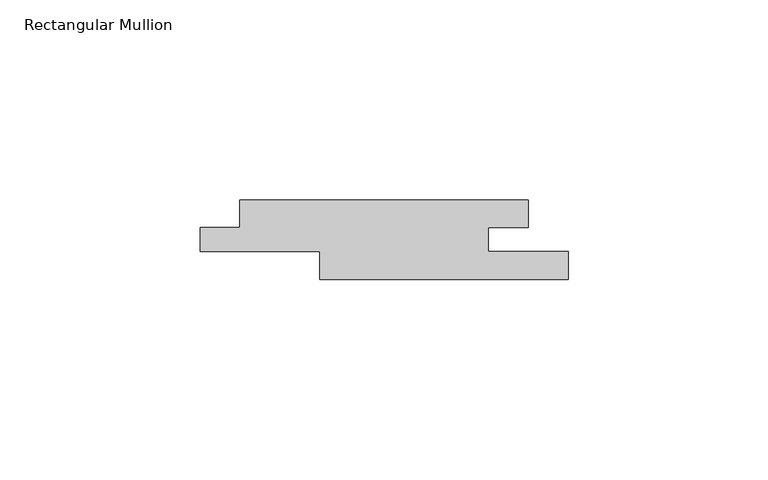
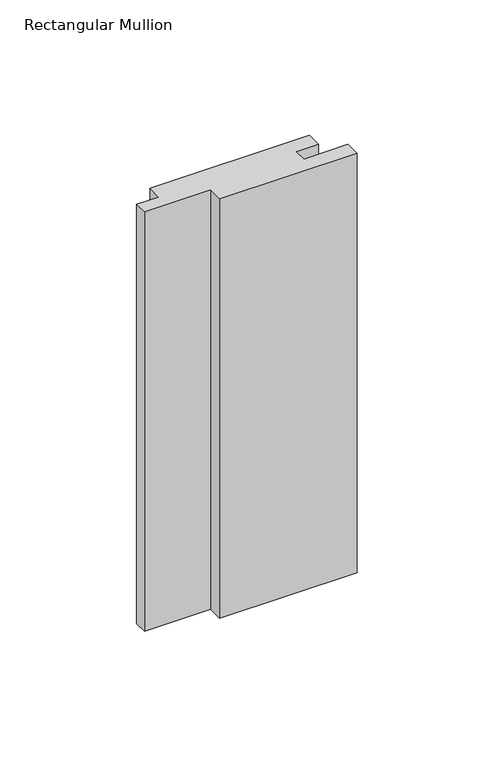
"""IFC4 building model written with IfcOpenShell, lengths in millimetres: member geometry, Rectangular Mullion."""

import ifcopenshell
import ifcopenshell.guid

model = None  # the IFC model being written
_history = None  # IfcOwnerHistory: only IFC2X3 demands one
_inside = {}  # id of a spatial element -> (the spatial element, [elements in it])
_under = {}  # id of a project, library or spatial element -> (it, [spatial elements below it])
_declared = {}  # id of a project -> (the project, [libraries it declares])
_typed = {}  # id of a type object -> (the type object, [elements of that type])
_made_of = {}  # id of a material, layer set ... -> (it, [elements and type objects made of it])


def new_model(schema):
    """Start an empty IFC model of exactly this schema.

    Asked for "IFC4X3", IfcOpenShell would pick the latest addendum, in which some entities
    have other attributes; the version numbers below select the first issue.
    IFC2X3 requires an IfcOwnerHistory on every rooted entity: one is made here for all.
    """
    global model, _history
    if schema == "IFC4X3":
        model = ifcopenshell.file(schema_version=(4, 3, 0, 0))
    else:
        model = ifcopenshell.file(schema=schema)
    _inside.clear()
    _under.clear()
    _declared.clear()
    _typed.clear()
    _made_of.clear()
    _history = None
    if model.schema == "IFC2X3":
        org = make("IfcOrganization", Name="unknown")
        user = make(
            "IfcPersonAndOrganization",
            ThePerson=make("IfcPerson", FamilyName="unknown"),
            TheOrganization=org,
        )
        app = make(
            "IfcApplication",
            ApplicationDeveloper=org,
            Version="unknown",
            ApplicationFullName="unknown",
            ApplicationIdentifier="unknown",
        )
        _history = make(
            "IfcOwnerHistory",
            OwningUser=user,
            OwningApplication=app,
            ChangeAction="ADDED",
            CreationDate=0,
        )
    return model


def make(cls, **values):
    """One entity of the class cls with the attributes given. An attribute that is None is left unset."""
    return model.create_entity(
        cls, **{name: value for name, value in values.items() if value is not None}
    )


def rooted(cls, **values):
    """An entity with a GlobalId (a new one), such as an element, a storey or a relation."""
    return make(cls, GlobalId=ifcopenshell.guid.new(), OwnerHistory=_history, **values)


def si_unit(unit_type, name, prefix=None):
    """IfcSIUnit, for example si_unit("LENGTHUNIT", "METRE", prefix="MILLI")."""
    return make("IfcSIUnit", UnitType=unit_type, Prefix=prefix, Name=name)


def assignment(units):
    """IfcUnitAssignment: the units of a project."""
    return None if units is None else make("IfcUnitAssignment", Units=units)


def point(xyz):
    """IfcCartesianPoint."""
    return None if xyz is None else make("IfcCartesianPoint", Coordinates=xyz)


def direction(xyz):
    """IfcDirection."""
    return None if xyz is None else make("IfcDirection", DirectionRatios=xyz)


def frame(location, z_axis=None, x_axis=None):
    """IfcAxis2Placement3D, a coordinate frame: its origin and axes. An axis left out is left unset."""
    return make(
        "IfcAxis2Placement3D",
        Location=point(location),
        Axis=direction(z_axis),
        RefDirection=direction(x_axis),
    )


def origin():
    """The frame at (0, 0, 0) with its axes left unset."""
    return frame((0.0, 0.0, 0.0))


def place(relative_to, where):
    """IfcLocalPlacement: puts the frame where relative to a parent placement (None: the world)."""
    return make(
        "IfcLocalPlacement", PlacementRelTo=relative_to, RelativePlacement=where
    )


def context(
    kind, dimensions, precision=None, world=None, true_north=None, identifier=None
):
    """IfcGeometricRepresentationContext, for example the 3D "Model" context."""
    return make(
        "IfcGeometricRepresentationContext",
        ContextIdentifier=identifier,
        ContextType=kind,
        CoordinateSpaceDimension=dimensions,
        Precision=precision,
        WorldCoordinateSystem=world,
        TrueNorth=true_north,
    )


def project(units=None, contexts=None):
    """IfcProject with its units and contexts."""
    return rooted(
        "IfcProject",
        Name="project",
        RepresentationContexts=contexts,
        UnitsInContext=assignment(units),
    )


def spatial(cls, under=None, at=None, **own):
    """A site, building, storey or space (cls), placed at a placement, below another one or the project."""
    s = rooted(cls, ObjectPlacement=at, **own)
    if under is not None:
        _under.setdefault(under.id(), (under, []))[1].append(s)
    return s


def polyline(points):
    """IfcPolyline through the points."""
    return make("IfcPolyline", Points=[point(p) for p in points])


def outline(outer, holes=None, kind="AREA"):
    """IfcArbitraryClosedProfileDef: a profile drawn as a closed curve; with holes, ...WithVoids."""
    if holes is None:
        return make("IfcArbitraryClosedProfileDef", ProfileType=kind, OuterCurve=outer)
    return make(
        "IfcArbitraryProfileDefWithVoids",
        ProfileType=kind,
        OuterCurve=outer,
        InnerCurves=holes,
    )


def extrude(swept, where, along, depth):
    """IfcExtrudedAreaSolid: the profile swept, set in the frame where, extruded along a direction by depth."""
    return make(
        "IfcExtrudedAreaSolid",
        SweptArea=swept,
        Position=where,
        ExtrudedDirection=direction(along),
        Depth=depth,
    )


def shape(context_of_items, identifier, shape_type, items):
    """IfcShapeRepresentation: the items that make up one representation, for example the "Body"."""
    return make(
        "IfcShapeRepresentation",
        ContextOfItems=context_of_items,
        RepresentationIdentifier=identifier,
        RepresentationType=shape_type,
        Items=items,
    )


def source(mapping_origin, context_of_items, identifier, shape_type, items):
    """IfcRepresentationMap: a shape defined once, which mapped items show again and again."""
    return make(
        "IfcRepresentationMap",
        MappingOrigin=mapping_origin,
        MappedRepresentation=shape(context_of_items, identifier, shape_type, items),
    )


def transform(
    local_origin,
    x_axis=None,
    y_axis=None,
    z_axis=None,
    scale=None,
    scale2=None,
    scale3=None,
    uniform=True,
):
    """IfcCartesianTransformationOperator3D, or its non-uniform kind. x_axis, y_axis, z_axis: its Axis1, 2, 3."""
    if uniform:
        return make(
            "IfcCartesianTransformationOperator3D",
            Axis1=direction(x_axis),
            Axis2=direction(y_axis),
            LocalOrigin=point(local_origin),
            Scale=scale,
            Axis3=direction(z_axis),
        )
    return make(
        "IfcCartesianTransformationOperator3DnonUniform",
        Axis1=direction(x_axis),
        Axis2=direction(y_axis),
        LocalOrigin=point(local_origin),
        Scale=scale,
        Axis3=direction(z_axis),
        Scale2=scale2,
        Scale3=scale3,
    )


def mapped(mapping_source, mapping_target):
    """IfcMappedItem: shows the shape of a source again, moved by a transform."""
    return make(
        "IfcMappedItem", MappingSource=mapping_source, MappingTarget=mapping_target
    )


def made_of(thing, what):
    """Note that an element or type object is made of a material, layer set ...; save() writes the relation."""
    if what is not None:
        _made_of.setdefault(what.id(), (what, []))[1].append(thing)
    return thing


def element(
    cls,
    number,
    at=None,
    inside=None,
    cuts=None,
    type_object=None,
    material=None,
    context=None,
    identifier="Body",
    shape_type=None,
    held_by="IfcProductDefinitionShape",
    body=None,
    shapes=None,
    **own,
):
    """One element of the class cls, such as IfcWall. Its Tag is "e" and its number.

    at: its placement. inside: the storey or other place that contains it. cuts: it is an
    opening in that element (IfcRelVoidsElement). A single representation is given by context,
    identifier, shape_type and body (its items); several are given by shapes. held_by: the class
    of the entity that holds the representations. save() writes the other relations.
    """
    e = rooted(cls, Tag="e%d" % number, ObjectPlacement=at, **own)
    if body is not None:
        shapes = [shape(context, identifier, shape_type, body)]
    if shapes is not None:
        e.Representation = make(held_by, Representations=shapes)
    if inside is not None:
        _inside.setdefault(inside.id(), (inside, []))[1].append(e)
    if cuts is not None:
        rooted(
            "IfcRelVoidsElement", RelatingBuildingElement=cuts, RelatedOpeningElement=e
        )
    if type_object is not None:
        _typed.setdefault(type_object.id(), (type_object, []))[1].append(e)
    return made_of(e, material)


def aggregate(whole, parts):
    """IfcRelAggregates: a whole, such as a stair, and the parts it consists of."""
    return rooted("IfcRelAggregates", RelatingObject=whole, RelatedObjects=parts)


def save(model, path):
    """Write the relations noted so far, then the file.

    IfcRelAggregates (storeys below a building ...), IfcRelContainedInSpatialStructure (elements
    in a storey), IfcRelDefinesByType, IfcRelAssociatesMaterial and IfcRelDeclares: one each for
    every whole, place, type object, material and project.
    """
    for whole, parts in _under.values():
        aggregate(whole, parts)
    for where, things in _inside.values():
        rooted(
            "IfcRelContainedInSpatialStructure",
            RelatedElements=things,
            RelatingStructure=where,
        )
    for kind, things in _typed.values():
        rooted("IfcRelDefinesByType", RelatedObjects=things, RelatingType=kind)
    for what, things in _made_of.values():
        rooted("IfcRelAssociatesMaterial", RelatedObjects=things, RelatingMaterial=what)
    for by, libraries in _declared.values():
        rooted("IfcRelDeclares", RelatingContext=by, RelatedDefinitions=libraries)
    model.write(path)


def rectangular_mullion_2bc21617(model_context):
    return source(origin(), model_context, "Body", "SweptSolid", [
        extrude(outline(polyline([(-92.0, -7.0), (-82.0378982, -7.0), (-82.0378982, 0.0), (-10.0, 0.0), (-10.0, -7.0), (-20.0, -7.0), (-20.0, -13.0), (0.0, -13.0), (0.0, -20.0), (-62.0378982, -20.0), (-62.0378982, -13.0), (-92.0, -13.0), (-92.0, -7.0)])), frame((0.0, 0.0, -200.0), z_axis=(0.0, 0.0, 1.0), x_axis=(1.0, 0.0, 0.0)), (0.0, 0.0, 1.0), 200.0),
    ])


if __name__ == "__main__":
    model = new_model("IFC4")
    model_context = context("Model", 3, world=origin())
    ifc_project = project(units=[si_unit("LENGTHUNIT", "METRE", prefix="MILLI")], contexts=[model_context])
    site = spatial("IfcSite", under=ifc_project)
    building = spatial("IfcBuilding", under=site)
    placement = place(None, origin())
    rectangular_mullion_shape = rectangular_mullion_2bc21617(model_context)
    element("IfcMember", 1, ObjectType="Rectangular Mullion", at=placement, inside=building, context=model_context, shape_type="MappedRepresentation", body=[
        mapped(rectangular_mullion_shape, transform((0.0, 0.0, 0.0), x_axis=(1.0, 0.0, 0.0), y_axis=(0.0, 1.0, 0.0), z_axis=(0.0, 0.0, 1.0))),
    ])
    save(model, "model.ifc")
